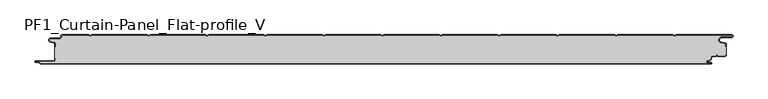
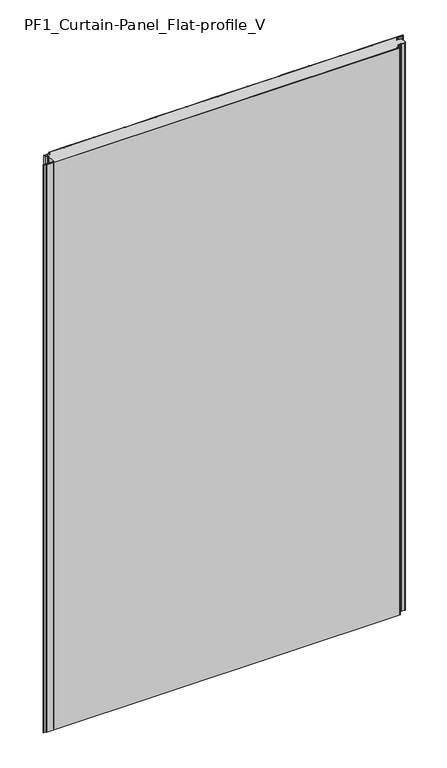
"""IFC4 building model written with IfcOpenShell, lengths in millimetres: plate geometry, PF1_Curtain-Panel_Flat-profile_V."""

from ifc_helpers import new_model, si_unit, point, frame_2d, origin, origin_with_axes, place, context, project, spatial, polyline, circle_curve, trimmed, segment, composite_curve, outline, extrude, source, transform, mapped, element, save


def pf1_curtain_panel_flat_profile_v_1411abc9(model_context):
    return source(origin(), model_context, "Body", "SweptSolid", [
        extrude(outline(composite_curve([segment(trimmed(circle_curve(frame_2d((-577.0, -15.878557)), 2.0), [point((-575.0, -15.878557))], [point((-576.5500978, -13.9298169))], True, "CARTESIAN"), True, "CONTINUOUS"), segment(polyline([(-576.5500978, -13.9298169), (-582.7098239, -12.507732)]), True, "CONTINUOUS"), segment(trimmed(circle_curve(frame_2d((-581.9, -9.0)), 3.6), [point((-582.7098239, -12.507732))], [point((-581.9, -5.4))], False, "CARTESIAN"), True, "CONTINUOUS"), segment(polyline([(-581.9, -5.4), (-566.4, -5.4)]), True, "CONTINUOUS"), segment(trimmed(circle_curve(frame_2d((-566.4, -3.4)), 2.0), [point((-566.4, -5.4))], [point((-564.4, -3.4))], True, "CARTESIAN"), True, "CONTINUOUS"), segment(polyline([(-564.4, -3.4), (-564.4, -2.0)]), True, "CONTINUOUS"), segment(trimmed(circle_curve(frame_2d((-562.4, -2.0)), 2.0), [point((-564.4, -2.0))], [point((-562.4, 0.0))], False, "CARTESIAN"), True, "CONTINUOUS"), segment(polyline([(-562.4, 0.0), (-517.0999995, 0.0), (-514.4, -1.5588455), (-511.7000005, 0.0), (-417.0999995, 0.0), (-414.4, -1.5588455), (-411.7000005, 0.0), (-317.0999995, 0.0), (-314.4, -1.5588455), (-311.7000005, 0.0), (-217.0999995, 0.0), (-214.4, -1.5588455), (-211.7000005, 0.0), (-117.0999995, 0.0), (-114.4, -1.5588455), (-111.7000005, 0.0), (-17.0999995, 0.0), (-14.4, -1.5588455), (-11.7000005, 0.0), (82.9000005, 0.0), (85.6, -1.5588455), (88.2999995, 0.0), (182.9000005, 0.0), (185.6, -1.5588455), (188.2999995, 0.0), (282.9000005, 0.0), (285.6, -1.5588455), (288.2999995, 0.0), (382.9000005, 0.0), (385.6, -1.5588455), (388.2999995, 0.0), (482.9000005, 0.0), (485.6, -1.5588455), (488.2999995, 0.0), (583.268846, 0.0)]), True, "CONTINUOUS"), segment(trimmed(circle_curve(frame_2d((583.268846, -2.5)), 2.5), [point((583.268846, 0.0))], [point((583.268846, -5.0))], False, "CARTESIAN"), True, "CONTINUOUS"), segment(polyline([(583.268846, -5.0), (566.268846, -5.0)]), True, "CONTINUOUS"), segment(trimmed(circle_curve(frame_2d((566.268846, -9.0)), 4.0), [point((566.268846, -5.0))], [point((565.574253, -12.939231))], True, "CARTESIAN"), True, "CONTINUOUS"), segment(polyline([(565.574253, -12.939231), (572.0203315, -14.0758491)]), True, "CONTINUOUS"), segment(trimmed(circle_curve(frame_2d((571.568846, -16.6363492)), 2.6), [point((572.0203315, -14.0758491))], [point((574.168846, -16.6363492))], False, "CARTESIAN"), True, "CONTINUOUS"), segment(polyline([(574.168846, -16.6363492), (574.168846, -20.0), (573.368846, -20.0), (573.368846, -16.6363492)]), True, "CONTINUOUS"), segment(trimmed(circle_curve(frame_2d((571.568846, -16.6363492)), 1.8), [point((573.368846, -16.6363492))], [point((571.8814129, -14.8636953))], True, "CARTESIAN"), True, "CONTINUOUS"), segment(polyline([(571.8814129, -14.8636953), (565.4353344, -13.7270772)]), True, "CONTINUOUS"), segment(trimmed(circle_curve(frame_2d((566.268846, -9.0)), 4.8), [point((565.4353344, -13.7270772))], [point((566.268846, -4.2))], False, "CARTESIAN"), True, "CONTINUOUS"), segment(polyline([(566.268846, -4.2), (583.268846, -4.2)]), True, "CONTINUOUS"), segment(trimmed(circle_curve(frame_2d((583.268846, -2.5)), 1.7), [point((583.268846, -4.2))], [point((583.268846, -0.8))], True, "CARTESIAN"), True, "CONTINUOUS"), segment(polyline([(583.268846, -0.8), (488.5143588, -0.8), (485.6, -2.482606), (482.6856412, -0.8), (388.5143588, -0.8), (385.6, -2.482606), (382.6856412, -0.8), (288.5143588, -0.8), (285.6, -2.482606), (282.6856412, -0.8), (188.5143588, -0.8), (185.6, -2.482606), (182.6856412, -0.8), (88.5143588, -0.8), (85.6, -2.482606), (82.6856412, -0.8), (-11.4856412, -0.8), (-14.4, -2.482606), (-17.3143588, -0.8), (-111.4856412, -0.8), (-114.4, -2.482606), (-117.3143588, -0.8), (-211.4856412, -0.8), (-214.4, -2.482606), (-217.3143588, -0.8), (-311.4856412, -0.8), (-314.4, -2.482606), (-317.3143588, -0.8), (-411.4856412, -0.8), (-414.4, -2.482606), (-417.3143588, -0.8), (-511.4856412, -0.8), (-514.4, -2.482606), (-517.3143588, -0.8), (-562.4, -0.8)]), True, "CONTINUOUS"), segment(trimmed(circle_curve(frame_2d((-562.4, -2.0)), 1.2), [point((-562.4, -0.8))], [point((-563.6, -2.0))], True, "CARTESIAN"), True, "CONTINUOUS"), segment(polyline([(-563.6, -2.0), (-563.6, -3.4)]), True, "CONTINUOUS"), segment(trimmed(circle_curve(frame_2d((-566.4, -3.4)), 2.8), [point((-563.6, -3.4))], [point((-566.4, -6.2))], False, "CARTESIAN"), True, "CONTINUOUS"), segment(polyline([(-566.4, -6.2), (-581.9, -6.2)]), True, "CONTINUOUS"), segment(trimmed(circle_curve(frame_2d((-581.9, -9.0)), 2.8), [point((-581.9, -6.2))], [point((-582.529863, -11.7282362))], True, "CARTESIAN"), True, "CONTINUOUS"), segment(polyline([(-582.529863, -11.7282362), (-576.370137, -13.150321)]), True, "CONTINUOUS"), segment(trimmed(circle_curve(frame_2d((-577.0, -15.878557)), 2.8), [point((-576.370137, -13.150321))], [point((-574.2, -15.878557))], False, "CARTESIAN"), True, "CONTINUOUS"), segment(polyline([(-574.2, -15.878557), (-574.2, -20.0), (-575.0, -20.0), (-575.0, -15.878557)]), True, "CONTINUOUS")], self_intersect=False)), origin_with_axes(), (0.0, 0.0, 1.0), 1945.7507136),
        extrude(outline(composite_curve([segment(polyline([(-574.2, -40.0), (-575.0, -40.0), (-575.0, -20.0), (-574.2, -20.0), (-574.2, -15.878557)]), True, "CONTINUOUS"), segment(trimmed(circle_curve(frame_2d((-577.0, -15.878557)), 2.8), [point((-574.2, -15.878557))], [point((-576.370137, -13.1503208))], True, "CARTESIAN"), True, "CONTINUOUS"), segment(polyline([(-576.370137, -13.1503208), (-582.529863, -11.7282362)]), True, "CONTINUOUS"), segment(trimmed(circle_curve(frame_2d((-581.9, -9.0)), 2.8), [point((-582.529863, -11.7282362))], [point((-581.9, -6.2))], False, "CARTESIAN"), True, "CONTINUOUS"), segment(polyline([(-581.9, -6.2), (-566.4, -6.2)]), True, "CONTINUOUS"), segment(trimmed(circle_curve(frame_2d((-566.4, -3.4)), 2.8), [point((-566.4, -6.2))], [point((-563.6, -3.4))], True, "CARTESIAN"), True, "CONTINUOUS"), segment(polyline([(-563.6, -3.4), (-563.6, -2.0)]), True, "CONTINUOUS"), segment(trimmed(circle_curve(frame_2d((-562.4, -2.0)), 1.2), [point((-563.6, -2.0))], [point((-562.4, -0.8))], False, "CARTESIAN"), True, "CONTINUOUS"), segment(polyline([(-562.4, -0.8), (-517.3143588, -0.8), (-514.4, -2.482606), (-511.4856412, -0.8), (-417.3143588, -0.8), (-414.4, -2.482606), (-411.4856412, -0.8), (-317.3143588, -0.8), (-314.4, -2.482606), (-311.4856412, -0.8), (-217.3143588, -0.8), (-214.4, -2.482606), (-211.4856412, -0.8), (-117.3143588, -0.8), (-114.4, -2.482606), (-111.4856412, -0.8), (-17.3143588, -0.8), (-14.4, -2.482606), (-11.4856412, -0.8), (82.6856412, -0.8), (85.6, -2.482606), (88.5143588, -0.8), (182.6856412, -0.8), (185.6, -2.482606), (188.5143588, -0.8), (282.6856412, -0.8), (285.6, -2.482606), (288.5143588, -0.8), (382.6856412, -0.8), (385.6, -2.482606), (388.5143588, -0.8), (482.6856412, -0.8), (485.6, -2.482606), (488.5143588, -0.8), (583.268846, -0.8)]), True, "CONTINUOUS"), segment(trimmed(circle_curve(frame_2d((583.268846, -2.5)), 1.7), [point((583.268846, -0.8))], [point((583.268846, -4.2))], False, "CARTESIAN"), True, "CONTINUOUS"), segment(polyline([(583.268846, -4.2), (566.268846, -4.2)]), True, "CONTINUOUS"), segment(trimmed(circle_curve(frame_2d((566.268846, -9.0)), 4.8), [point((566.268846, -4.2))], [point((565.4353344, -13.7270772))], True, "CARTESIAN"), True, "CONTINUOUS"), segment(polyline([(565.4353344, -13.7270772), (571.8814129, -14.8636953)]), True, "CONTINUOUS"), segment(trimmed(circle_curve(frame_2d((571.568846, -16.6363492)), 1.8), [point((571.8814129, -14.8636953))], [point((573.368846, -16.6363492))], False, "CARTESIAN"), True, "CONTINUOUS"), segment(polyline([(573.368846, -16.6363492), (573.368846, -20.0), (574.168846, -20.0), (574.168846, -33.0), (573.368846, -33.0), (573.368846, -34.4)]), True, "CONTINUOUS"), segment(trimmed(circle_curve(frame_2d((571.568846, -34.4)), 1.8), [point((573.368846, -34.4))], [point((571.568846, -36.2))], False, "CARTESIAN"), True, "CONTINUOUS"), segment(polyline([(571.568846, -36.2), (560.0002158, -36.2), (558.168846, -34.3686285), (556.3374762, -36.2), (550.168846, -36.2)]), True, "CONTINUOUS"), segment(trimmed(circle_curve(frame_2d((550.168846, -38.0)), 1.8), [point((550.168846, -36.2))], [point((548.368846, -38.0))], True, "CARTESIAN"), True, "CONTINUOUS"), segment(polyline([(548.368846, -38.0), (548.368846, -38.8276204)]), True, "CONTINUOUS"), segment(trimmed(circle_curve(frame_2d((542.9964664, -38.8276204)), 5.3723796), [point((548.368846, -38.8276204))], [point((542.9964664, -44.2))], False, "CARTESIAN"), True, "CONTINUOUS"), segment(polyline([(542.9964664, -44.2), (542.168846, -44.2)]), True, "CONTINUOUS"), segment(trimmed(circle_curve(frame_2d((542.168846, -46.4)), 2.2), [point((542.168846, -44.2))], [point((542.168846, -48.6))], True, "CARTESIAN"), True, "CONTINUOUS"), segment(polyline([(542.168846, -48.6), (548.0579973, -48.6)]), True, "CONTINUOUS"), segment(trimmed(circle_curve(frame_2d((548.0579973, -48.9)), 0.3), [point((548.0579973, -48.6))], [point((548.0579973, -49.2))], False, "CARTESIAN"), True, "CONTINUOUS"), segment(polyline([(548.0579973, -49.2), (-599.4, -49.2)]), True, "CONTINUOUS"), segment(trimmed(circle_curve(frame_2d((-599.4, -48.4)), 0.8), [point((-599.4, -49.2))], [point((-600.2, -48.4))], False, "CARTESIAN"), True, "CONTINUOUS"), segment(trimmed(circle_curve(frame_2d((-601.9, -48.6133333)), 1.7133333), [point((-600.2, -48.4))], [point((-601.9, -46.9))], True, "CARTESIAN"), True, "CONTINUOUS"), segment(polyline([(-601.9, -46.9), (-607.8700312, -46.9)]), True, "CONTINUOUS"), segment(trimmed(circle_curve(frame_2d((-607.8700312, -46.6)), 0.3), [point((-607.8700312, -46.9))], [point((-607.8700312, -46.3))], False, "CARTESIAN"), True, "CONTINUOUS"), segment(polyline([(-607.8700312, -46.3), (-577.0, -46.3)]), True, "CONTINUOUS"), segment(trimmed(circle_curve(frame_2d((-577.0, -43.5)), 2.8), [point((-577.0, -46.3))], [point((-574.2, -43.5))], True, "CARTESIAN"), True, "CONTINUOUS"), segment(polyline([(-574.2, -43.5), (-574.2, -40.0)]), True, "CONTINUOUS")], self_intersect=False)), origin_with_axes(), (0.0, 0.0, 1.0), 1945.7507136),
        extrude(outline(composite_curve([segment(polyline([(-575.0, -40.0), (-574.2, -40.0), (-574.2, -43.5)]), True, "CONTINUOUS"), segment(trimmed(circle_curve(frame_2d((-577.0, -43.5)), 2.8), [point((-574.2, -43.5))], [point((-577.0, -46.3))], False, "CARTESIAN"), True, "CONTINUOUS"), segment(polyline([(-577.0, -46.3), (-607.8700312, -46.3)]), True, "CONTINUOUS"), segment(trimmed(circle_curve(frame_2d((-607.8700312, -46.6)), 0.3), [point((-607.8700312, -46.3))], [point((-607.8700312, -46.9))], True, "CARTESIAN"), True, "CONTINUOUS"), segment(polyline([(-607.8700312, -46.9), (-601.9, -46.9)]), True, "CONTINUOUS"), segment(trimmed(circle_curve(frame_2d((-601.9, -48.6133333)), 1.7133333), [point((-601.9, -46.9))], [point((-600.2, -48.4))], False, "CARTESIAN"), True, "CONTINUOUS"), segment(trimmed(circle_curve(frame_2d((-599.4, -48.4)), 0.8), [point((-600.2, -48.4))], [point((-599.4, -49.2))], True, "CARTESIAN"), True, "CONTINUOUS"), segment(polyline([(-599.4, -49.2), (548.0579973, -49.2)]), True, "CONTINUOUS"), segment(trimmed(circle_curve(frame_2d((548.0579973, -48.9)), 0.3), [point((548.0579973, -49.2))], [point((548.0579973, -48.6))], True, "CARTESIAN"), True, "CONTINUOUS"), segment(polyline([(548.0579973, -48.6), (542.168846, -48.6)]), True, "CONTINUOUS"), segment(trimmed(circle_curve(frame_2d((542.168846, -46.4)), 2.2), [point((542.168846, -48.6))], [point((542.168846, -44.2))], False, "CARTESIAN"), True, "CONTINUOUS"), segment(polyline([(542.168846, -44.2), (542.9964664, -44.2)]), True, "CONTINUOUS"), segment(trimmed(circle_curve(frame_2d((542.9964664, -38.8276204)), 5.3723796), [point((542.9964664, -44.2))], [point((548.368846, -38.8276204))], True, "CARTESIAN"), True, "CONTINUOUS"), segment(polyline([(548.368846, -38.8276204), (548.368846, -38.0)]), True, "CONTINUOUS"), segment(trimmed(circle_curve(frame_2d((550.168846, -38.0)), 1.8), [point((548.368846, -38.0))], [point((550.168846, -36.2))], False, "CARTESIAN"), True, "CONTINUOUS"), segment(polyline([(550.168846, -36.2), (556.3374762, -36.2), (558.168846, -34.3686285), (560.0002158, -36.2), (571.568846, -36.2)]), True, "CONTINUOUS"), segment(trimmed(circle_curve(frame_2d((571.568846, -34.4)), 1.8), [point((571.568846, -36.2))], [point((573.368846, -34.4))], True, "CARTESIAN"), True, "CONTINUOUS"), segment(polyline([(573.368846, -34.4), (573.368846, -33.0), (574.168846, -33.0), (574.168846, -34.4)]), True, "CONTINUOUS"), segment(trimmed(circle_curve(frame_2d((571.568846, -34.4)), 2.6), [point((574.168846, -34.4))], [point((571.568846, -37.0))], False, "CARTESIAN"), True, "CONTINUOUS"), segment(polyline([(571.568846, -37.0), (559.6688448, -37.0), (558.168846, -35.4999999), (556.6688472, -37.0), (550.168846, -37.0)]), True, "CONTINUOUS"), segment(trimmed(circle_curve(frame_2d((550.168846, -38.0)), 1.0), [point((550.168846, -37.0))], [point((549.168846, -38.0))], True, "CARTESIAN"), True, "CONTINUOUS"), segment(polyline([(549.168846, -38.0), (549.168846, -38.8276204)]), True, "CONTINUOUS"), segment(trimmed(circle_curve(frame_2d((542.9964664, -38.8276204)), 6.1723796), [point((549.168846, -38.8276204))], [point((542.9964664, -45.0))], False, "CARTESIAN"), True, "CONTINUOUS"), segment(polyline([(542.9964664, -45.0), (542.168846, -45.0)]), True, "CONTINUOUS"), segment(trimmed(circle_curve(frame_2d((542.168846, -46.5)), 1.5), [point((542.168846, -45.0))], [point((542.168846, -48.0))], True, "CARTESIAN"), True, "CONTINUOUS"), segment(polyline([(542.168846, -48.0), (548.168846, -48.0)]), True, "CONTINUOUS"), segment(trimmed(circle_curve(frame_2d((548.168846, -49.0)), 1.0), [point((548.168846, -48.0))], [point((548.168846, -50.0))], False, "CARTESIAN"), True, "CONTINUOUS"), segment(polyline([(548.168846, -50.0), (-599.4, -50.0)]), True, "CONTINUOUS"), segment(trimmed(circle_curve(frame_2d((-599.4, -48.4)), 1.6), [point((-599.4, -50.0))], [point((-601.0, -48.4))], False, "CARTESIAN"), True, "CONTINUOUS"), segment(trimmed(circle_curve(frame_2d((-601.9, -48.4)), 0.9), [point((-601.0, -48.4))], [point((-601.9, -47.5))], True, "CARTESIAN"), True, "CONTINUOUS"), segment(polyline([(-601.9, -47.5), (-608.0, -47.5)]), True, "CONTINUOUS"), segment(trimmed(circle_curve(frame_2d((-608.0, -46.5)), 1.0), [point((-608.0, -47.5))], [point((-608.0, -45.5))], False, "CARTESIAN"), True, "CONTINUOUS"), segment(polyline([(-608.0, -45.5), (-577.0, -45.5)]), True, "CONTINUOUS"), segment(trimmed(circle_curve(frame_2d((-577.0, -43.5)), 2.0), [point((-577.0, -45.5))], [point((-575.0, -43.5))], True, "CARTESIAN"), True, "CONTINUOUS"), segment(polyline([(-575.0, -43.5), (-575.0, -40.0)]), True, "CONTINUOUS")], self_intersect=False)), origin_with_axes(), (0.0, 0.0, 1.0), 1945.7507136),
    ])


if __name__ == "__main__":
    model = new_model("IFC4")
    model_context = context("Model", 3, world=origin())
    ifc_project = project(units=[si_unit("LENGTHUNIT", "METRE", prefix="MILLI")], contexts=[model_context])
    site = spatial("IfcSite", under=ifc_project)
    building = spatial("IfcBuilding", under=site)
    placement = place(None, origin())
    pf1_curtain_panel_flat_profile_v_shape = pf1_curtain_panel_flat_profile_v_1411abc9(model_context)
    element("IfcPlate", 1, ObjectType="PF1_Curtain-Panel_Flat-profile_V", at=placement, inside=building, context=model_context, shape_type="MappedRepresentation", body=[
        mapped(pf1_curtain_panel_flat_profile_v_shape, transform((0.0, 0.0, 0.0), x_axis=(1.0, 0.0, 0.0), y_axis=(0.0, 1.0, 0.0), z_axis=(0.0, 0.0, 1.0))),
    ])
    save(model, "model.ifc")
